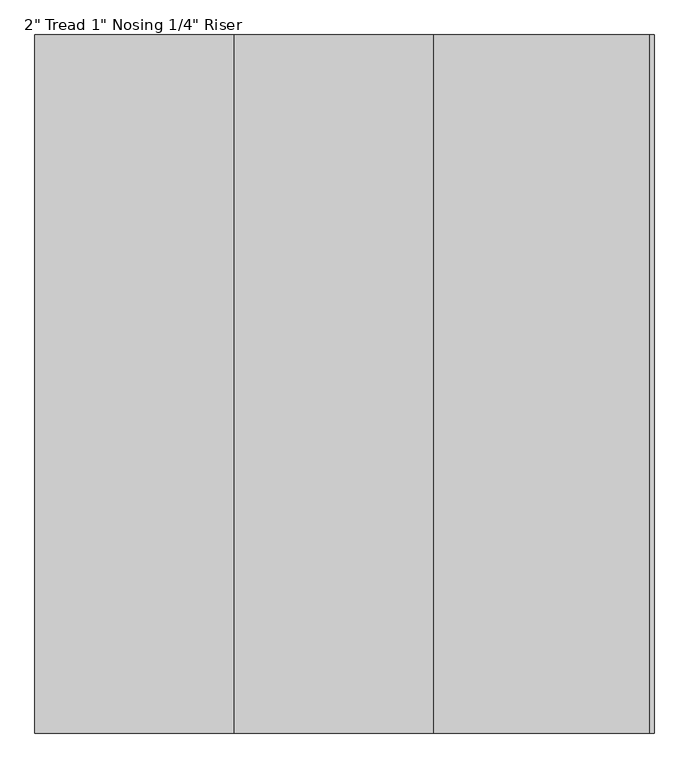
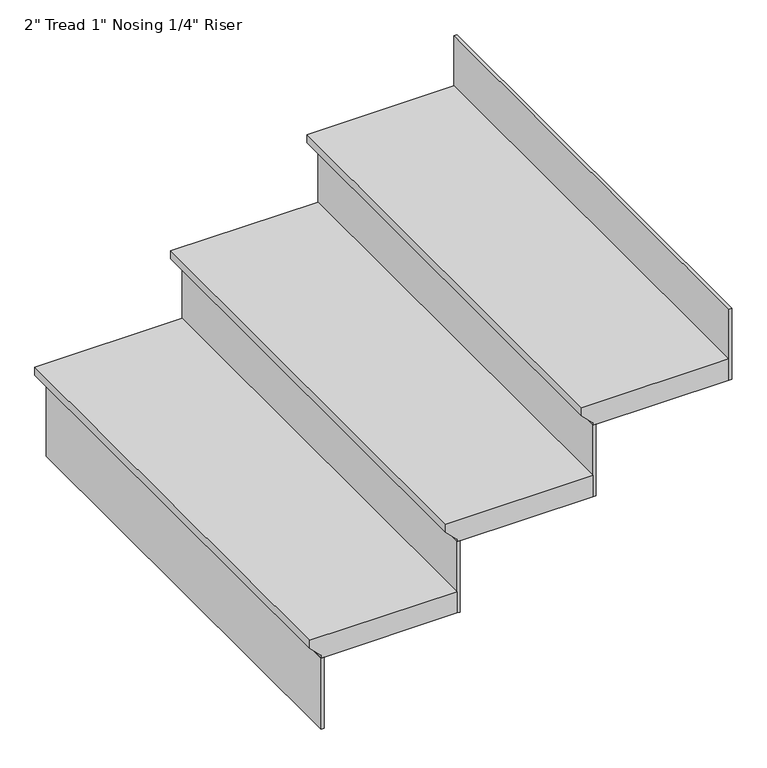
"""IFC4 building model written with IfcOpenShell, lengths in millimetres: stair flight geometry."""

from ifc_helpers import new_model, si_unit, frame, origin, place, context, project, spatial, polyline, outline, extrude, source, transform, mapped, element, save


def stair_flight_b725ab6f(model_context):
    return source(origin(), model_context, "Body", "SweptSolid", [
        extrude(outline(polyline([(2363.6941176, 40482.0404708), (2363.6941176, 40151.8404708), (2344.6441176, 40151.8404708), (2319.2441176, 40177.2404708), (2312.8941176, 40177.2404708), (2312.8941176, 40482.0404708), (2363.6941176, 40482.0404708)])), frame((0.0, -13101.150078, 0.0), z_axis=(0.0, 1.0, 0.0), x_axis=(0.0, 0.0, 1.0)), (0.0, 0.0, 1.0), 1066.8),
        extrude(outline(polyline([(40183.5904708, -13101.150078), (40177.2404708, -13101.150078), (40177.2404708, -12034.350078), (40183.5904708, -12034.350078), (40183.5904708, -13101.150078)])), frame((0.0, 0.0, 2144.0588235), z_axis=(0.0, 0.0, 1.0), x_axis=(1.0, 0.0, 0.0)), (0.0, 0.0, 1.0), 168.8352941),
        extrude(outline(polyline([(40488.3904708, -13101.150078), (40482.0404708, -13101.150078), (40482.0404708, -12034.350078), (40488.3904708, -12034.350078), (40488.3904708, -13101.150078)])), frame((0.0, 0.0, 2312.8941176), z_axis=(0.0, 0.0, 1.0), x_axis=(1.0, 0.0, 0.0)), (0.0, 0.0, 1.0), 168.8352941),
        extrude(outline(polyline([(2532.5294118, 40786.8404708), (2532.5294118, 40456.6404708), (2513.4794118, 40456.6404708), (2488.0794118, 40482.0404708), (2481.7294118, 40482.0404708), (2481.7294118, 40786.8404708), (2532.5294118, 40786.8404708)])), frame((0.0, -13101.150078, 0.0), z_axis=(0.0, 1.0, 0.0), x_axis=(0.0, 0.0, 1.0)), (0.0, 0.0, 1.0), 1066.8),
        extrude(outline(polyline([(40793.1904708, -13101.150078), (40786.8404708, -13101.150078), (40786.8404708, -12034.350078), (40793.1904708, -12034.350078), (40793.1904708, -13101.150078)])), frame((0.0, 0.0, 2481.7294118), z_axis=(0.0, 0.0, 1.0), x_axis=(1.0, 0.0, 0.0)), (0.0, 0.0, 1.0), 168.8352941),
        extrude(outline(polyline([(41097.9904708, -13101.150078), (41091.6404708, -13101.150078), (41091.6404708, -12034.350078), (41097.9904708, -12034.350078), (41097.9904708, -13101.150078)])), frame((0.0, 0.0, 2650.5647059), z_axis=(0.0, 0.0, 1.0), x_axis=(1.0, 0.0, 0.0)), (0.0, 0.0, 1.0), 168.8352941),
        extrude(outline(polyline([(2701.3647059, 41091.6404708), (2701.3647059, 40761.4404708), (2682.3147059, 40761.4404708), (2656.9147059, 40786.8404708), (2650.5647059, 40786.8404708), (2650.5647059, 41091.6404708), (2701.3647059, 41091.6404708)])), frame((0.0, -13101.150078, 0.0), z_axis=(0.0, 1.0, 0.0), x_axis=(0.0, 0.0, 1.0)), (0.0, 0.0, 1.0), 1066.8),
    ])


if __name__ == "__main__":
    model = new_model("IFC4")
    model_context = context("Model", 3, world=origin())
    ifc_project = project(units=[si_unit("LENGTHUNIT", "METRE", prefix="MILLI")], contexts=[model_context])
    site = spatial("IfcSite", under=ifc_project)
    building = spatial("IfcBuilding", under=site)
    placement = place(None, origin())
    stair_flight_shape = stair_flight_b725ab6f(model_context)
    element("IfcStairFlight", 1, ObjectType="2\" Tread 1\" Nosing 1/4\" Riser", at=placement, inside=building, context=model_context, shape_type="MappedRepresentation", body=[
        mapped(stair_flight_shape, transform((0.0, 0.0, 0.0), x_axis=(1.0, 0.0, 0.0), y_axis=(0.0, 1.0, 0.0), z_axis=(0.0, 0.0, 1.0))),
    ])
    save(model, "model.ifc")
